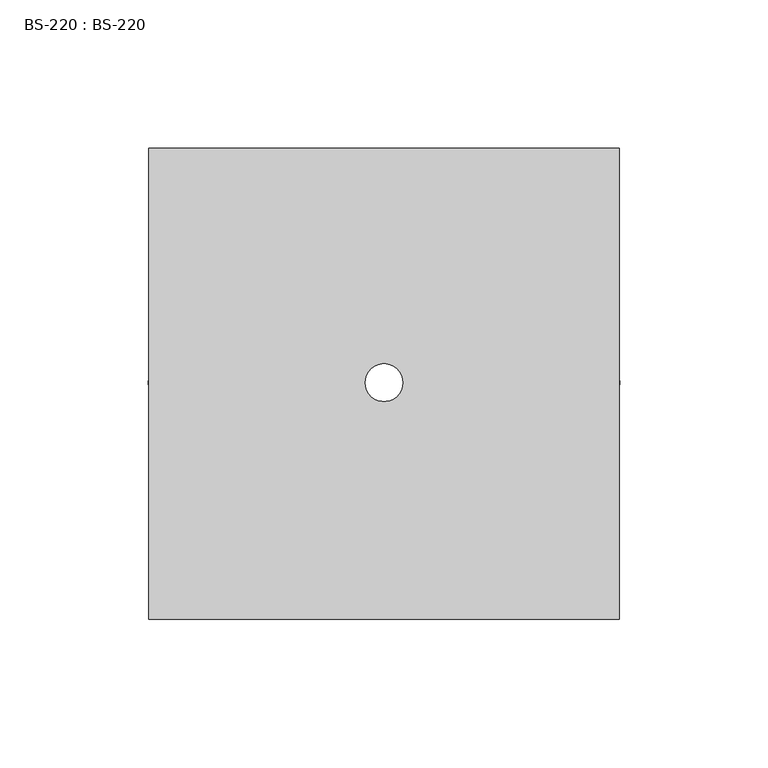
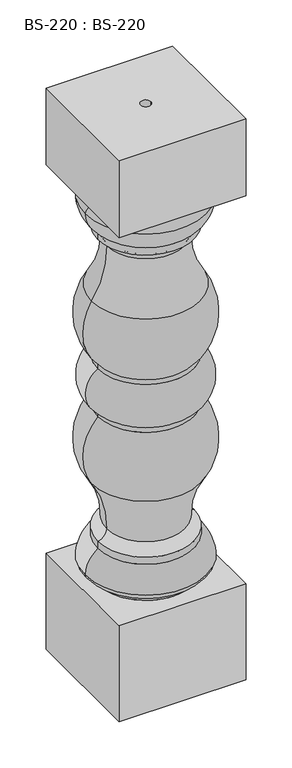
"""IFC4 building model written with IfcOpenShell, lengths in millimetres: proxy geometry, BS-220 : BS-220."""

from ifc_helpers import new_model, si_unit, point, frame, origin, origin_with_axes, place, context, project, spatial, polyline, circle_curve, ellipse_curve, trimmed, source, transform, mapped, element, save
from ifc_brep_helpers import plane_surface, cylinder_surface, revolved_surface, advanced_brep


def bs_220_bs_220_56ae21f1(model_context):
    return source(origin(), model_context, "Body", "AdvancedBrep", [
        advanced_brep(
        [(79.375, -79.7359728, 742.95), (79.375, 79.0140272, 742.95), (-79.375, 79.0140272, 742.95), (-79.375, -79.7359728, 742.95), (6.35, 0.0, 742.95), (-6.35, 0.0, 742.95), (79.375, -79.7359728, 641.35), (-79.375, -79.7359728, 641.35), (-79.375, 79.0140272, 641.35), (79.375, 79.0140272, 641.35), (60.4039987, 0.0, 641.35), (-60.4039987, 0.0, 641.35), (-60.4039987, 0.0, 174.625), (60.4039987, 0.0, 174.625), (76.3877911, 0.0, 145.1261034), (-76.3877911, 0.0, 145.1261034), (-60.4039987, 0.0, 184.15), (60.4039987, 0.0, 184.15), (-49.2914987, 0.0, 196.85), (49.2914987, 0.0, 196.85), (-68.2623971, 0.0, 263.5391391), (68.2623971, 0.0, 263.5391391), (-60.4039987, 0.0, 349.25), (60.4039987, 0.0, 349.25), (-60.4039987, 0.0, 355.6), (60.4039987, 0.0, 355.6), (-60.4039987, 0.0, 412.75), (60.4039987, 0.0, 412.75), (-60.4039987, 0.0, 419.1), (60.4039987, 0.0, 419.1), (-68.2623971, 0.0, 504.8108609), (68.2623971, 0.0, 504.8108609), (-49.2914987, 0.0, 571.5), (49.2914987, 0.0, 571.5), (-60.4039987, 0.0, 584.2), (60.4039987, 0.0, 584.2), (-60.4039987, 0.0, 593.725), (60.4039987, 0.0, 593.725), (-76.3877911, 0.0, 623.2238966), (76.3877911, 0.0, 623.2238966), (-60.4039987, 0.0, 635.0), (60.4039987, 0.0, 635.0), (-60.4039987, 0.0, 133.35), (60.4039987, 0.0, 133.35), (60.4039987, 0.0, 127.0), (-60.4039987, 0.0, 127.0), (79.375, -79.7359728, 127.0), (79.375, 79.0140272, 127.0), (-79.375, 79.0140272, 127.0), (-79.375, -79.7359728, 127.0), (79.375, -79.7359728, 0.0), (-79.375, -79.7359728, 0.0), (-79.375, 79.0140272, 0.0), (79.375, 79.0140272, 0.0), (-6.35, 0.0, 0.0), (6.35, 0.0, 0.0)],
        [
            (0, 1),
            (1, 2),
            (2, 3),
            (3, 0),
            (4, 5, circle_curve(frame((0.0, 0.0, 742.95), z_axis=(0.0, 0.0, -1.0), x_axis=(1.0, 0.0, 0.0)), 6.35)),
            (5, 4, circle_curve(frame((0.0, 0.0, 742.95), z_axis=(0.0, 0.0, -1.0), x_axis=(1.0, 0.0, 0.0)), 6.35)),
            (6, 7),
            (7, 8),
            (8, 9),
            (9, 6),
            (10, 11, circle_curve(frame((0.0, 0.0, 641.35), z_axis=(0.0, 0.0, 1.0), x_axis=(1.0, 0.0, 0.0)), 60.4039987)),
            (11, 10, circle_curve(frame((0.0, 0.0, 641.35), z_axis=(0.0, 0.0, 1.0), x_axis=(1.0, 0.0, 0.0)), 60.4039987)),
            (0, 6),
            (9, 1),
            (8, 2),
            (7, 3),
            (12, 13, circle_curve(frame((0.0, 0.0, 174.625), z_axis=(0.0, 0.0, -1.0), x_axis=(1.0, 0.0, 0.0)), 60.4039987)),
            (13, 14, circle_curve(frame((39.443099, 0.0, 144.1876605), z_axis=(0.0, 1.0, 0.0), x_axis=(1.0, 0.0, 0.0)), 36.956609)),
            (14, 15, circle_curve(frame((0.0, 0.0, 145.1261034), z_axis=(0.0, 0.0, 1.0), x_axis=(1.0, 0.0, 0.0)), 76.3877911)),
            (15, 12, circle_curve(frame((-39.443099, 0.0, 144.1876605), z_axis=(0.0, 1.0, 0.0), x_axis=(-1.0, 0.0, 0.0)), 36.956609)),
            (13, 12, circle_curve(frame((0.0, 0.0, 174.625), z_axis=(0.0, 0.0, -1.0), x_axis=(1.0, 0.0, 0.0)), 60.4039987)),
            (15, 14, circle_curve(frame((0.0, 0.0, 145.1261034), z_axis=(0.0, 0.0, 1.0), x_axis=(1.0, 0.0, 0.0)), 76.3877911)),
            (12, 16),
            (16, 17, circle_curve(frame((0.0, 0.0, 184.15), z_axis=(0.0, 0.0, -1.0), x_axis=(1.0, 0.0, 0.0)), 60.4039987)),
            (17, 13),
            (17, 16, circle_curve(frame((0.0, 0.0, 184.15), z_axis=(0.0, 0.0, -1.0), x_axis=(1.0, 0.0, 0.0)), 60.4039987)),
            (16, 18, circle_curve(frame((-62.4351968, 0.0, 197.139017), z_axis=(0.0, -1.0, 0.0), x_axis=(-1.0, 0.0, 0.0)), 13.1468753)),
            (18, 19, circle_curve(frame((0.0, 0.0, 196.85), z_axis=(0.0, 0.0, -1.0), x_axis=(1.0, 0.0, 0.0)), 49.2914987)),
            (19, 17, circle_curve(frame((62.4351968, 0.0, 197.139017), z_axis=(0.0, -1.0, 0.0), x_axis=(1.0, 0.0, 0.0)), 13.1468753)),
            (19, 18, circle_curve(frame((0.0, 0.0, 196.85), z_axis=(0.0, 0.0, -1.0), x_axis=(1.0, 0.0, 0.0)), 49.2914987)),
            (18, 20, circle_curve(frame((-166.9031665, 0.0, 199.4361652), z_axis=(0.0, -1.0, 0.0), x_axis=(-1.0, 0.0, 0.0)), 117.6400979)),
            (20, 21, circle_curve(frame((0.0, 0.0, 263.5391391), z_axis=(0.0, 0.0, -1.0), x_axis=(1.0, 0.0, 0.0)), 68.2623971)),
            (21, 19, circle_curve(frame((166.9031665, 0.0, 199.4361652), z_axis=(0.0, -1.0, 0.0), x_axis=(1.0, 0.0, 0.0)), 117.6400979)),
            (21, 20, circle_curve(frame((0.0, 0.0, 263.5391391), z_axis=(0.0, 0.0, -1.0), x_axis=(1.0, 0.0, 0.0)), 68.2623971)),
            (20, 22, circle_curve(frame((-9.9847297, 0.0, 301.4116315), z_axis=(0.0, 1.0, 0.0), x_axis=(-1.0, 0.0, 0.0)), 69.5026057)),
            (22, 23, circle_curve(frame((0.0, 0.0, 349.25), z_axis=(0.0, 0.0, -1.0), x_axis=(1.0, 0.0, 0.0)), 60.4039987)),
            (23, 21, circle_curve(frame((9.9847297, 0.0, 301.4116315), z_axis=(0.0, 1.0, 0.0), x_axis=(1.0, 0.0, 0.0)), 69.5026057)),
            (23, 22, circle_curve(frame((0.0, 0.0, 349.25), z_axis=(0.0, 0.0, -1.0), x_axis=(1.0, 0.0, 0.0)), 60.4039987)),
            (22, 24),
            (24, 25, circle_curve(frame((0.0, 0.0, 355.6), z_axis=(0.0, 0.0, -1.0), x_axis=(1.0, 0.0, 0.0)), 60.4039987)),
            (25, 23),
            (25, 24, circle_curve(frame((0.0, 0.0, 355.6), z_axis=(0.0, 0.0, -1.0), x_axis=(1.0, 0.0, 0.0)), 60.4039987)),
            (24, 26, circle_curve(frame((-42.6239987, 0.0, 384.175), z_axis=(0.0, 1.0, 0.0), x_axis=(-1.0, 0.0, 0.0)), 33.655)),
            (26, 27, circle_curve(frame((0.0, 0.0, 412.75), z_axis=(0.0, 0.0, -1.0), x_axis=(1.0, 0.0, 0.0)), 60.4039987)),
            (27, 25, circle_curve(frame((42.6239987, 0.0, 384.175), z_axis=(0.0, 1.0, 0.0), x_axis=(1.0, 0.0, 0.0)), 33.655)),
            (27, 26, circle_curve(frame((0.0, 0.0, 412.75), z_axis=(0.0, 0.0, -1.0), x_axis=(1.0, 0.0, 0.0)), 60.4039987)),
            (26, 28),
            (28, 29, circle_curve(frame((0.0, 0.0, 419.1), z_axis=(0.0, 0.0, -1.0), x_axis=(1.0, 0.0, 0.0)), 60.4039987)),
            (29, 27),
            (29, 28, circle_curve(frame((0.0, 0.0, 419.1), z_axis=(0.0, 0.0, -1.0), x_axis=(1.0, 0.0, 0.0)), 60.4039987)),
            (28, 30, circle_curve(frame((-9.9847297, 0.0, 466.9383685), z_axis=(0.0, 1.0, 0.0), x_axis=(-1.0, 0.0, 0.0)), 69.5026057)),
            (30, 31, circle_curve(frame((0.0, 0.0, 504.8108609), z_axis=(0.0, 0.0, -1.0), x_axis=(1.0, 0.0, 0.0)), 68.2623971)),
            (31, 29, circle_curve(frame((9.9847297, 0.0, 466.9383685), z_axis=(0.0, 1.0, 0.0), x_axis=(1.0, 0.0, 0.0)), 69.5026057)),
            (31, 30, circle_curve(frame((0.0, 0.0, 504.8108609), z_axis=(0.0, 0.0, -1.0), x_axis=(1.0, 0.0, 0.0)), 68.2623971)),
            (30, 32, circle_curve(frame((-166.9031665, 0.0, 568.9138348), z_axis=(0.0, -1.0, 0.0), x_axis=(-1.0, 0.0, 0.0)), 117.6400979)),
            (32, 33, circle_curve(frame((0.0, 0.0, 571.5), z_axis=(0.0, 0.0, -1.0), x_axis=(1.0, 0.0, 0.0)), 49.2914987)),
            (33, 31, circle_curve(frame((166.9031665, 0.0, 568.9138348), z_axis=(0.0, -1.0, 0.0), x_axis=(1.0, 0.0, 0.0)), 117.6400979)),
            (33, 32, circle_curve(frame((0.0, 0.0, 571.5), z_axis=(0.0, 0.0, -1.0), x_axis=(1.0, 0.0, 0.0)), 49.2914987)),
            (32, 34, circle_curve(frame((-62.4351968, 0.0, 571.210983), z_axis=(0.0, -1.0, 0.0), x_axis=(-1.0, 0.0, 0.0)), 13.1468753)),
            (34, 35, circle_curve(frame((0.0, 0.0, 584.2), z_axis=(0.0, 0.0, -1.0), x_axis=(1.0, 0.0, 0.0)), 60.4039987)),
            (35, 33, circle_curve(frame((62.4351968, 0.0, 571.210983), z_axis=(0.0, -1.0, 0.0), x_axis=(1.0, 0.0, 0.0)), 13.1468753)),
            (35, 34, circle_curve(frame((0.0, 0.0, 584.2), z_axis=(0.0, 0.0, -1.0), x_axis=(1.0, 0.0, 0.0)), 60.4039987)),
            (34, 36),
            (36, 37, circle_curve(frame((0.0, 0.0, 593.725), z_axis=(0.0, 0.0, -1.0), x_axis=(1.0, 0.0, 0.0)), 60.4039987)),
            (37, 35),
            (37, 36, circle_curve(frame((0.0, 0.0, 593.725), z_axis=(0.0, 0.0, -1.0), x_axis=(1.0, 0.0, 0.0)), 60.4039987)),
            (36, 38, circle_curve(frame((-39.443099, 0.0, 624.1623395), z_axis=(0.0, 1.0, 0.0), x_axis=(-1.0, 0.0, 0.0)), 36.956609)),
            (38, 39, circle_curve(frame((0.0, 0.0, 623.2238966), z_axis=(0.0, 0.0, -1.0), x_axis=(1.0, 0.0, 0.0)), 76.3877911)),
            (39, 37, circle_curve(frame((39.443099, 0.0, 624.1623395), z_axis=(0.0, 1.0, 0.0), x_axis=(1.0, 0.0, 0.0)), 36.956609)),
            (39, 38, circle_curve(frame((0.0, 0.0, 623.2238966), z_axis=(0.0, 0.0, -1.0), x_axis=(1.0, 0.0, 0.0)), 76.3877911)),
            (38, 40, circle_curve(frame((-60.7921681, 0.0, 618.7913535), z_axis=(0.0, 1.0, 0.0), x_axis=(-1.0, 0.0, 0.0)), 16.2132938)),
            (40, 41, circle_curve(frame((0.0, 0.0, 635.0), z_axis=(0.0, 0.0, -1.0), x_axis=(1.0, 0.0, 0.0)), 60.4039987)),
            (41, 39, circle_curve(frame((60.7921681, 0.0, 618.7913535), z_axis=(0.0, 1.0, 0.0), x_axis=(1.0, 0.0, 0.0)), 16.2132938)),
            (41, 40, circle_curve(frame((0.0, 0.0, 635.0), z_axis=(0.0, 0.0, -1.0), x_axis=(1.0, 0.0, 0.0)), 60.4039987)),
            (40, 11),
            (10, 41),
            (42, 43, circle_curve(frame((0.0, 0.0, 133.35), z_axis=(0.0, 0.0, -1.0), x_axis=(1.0, 0.0, 0.0)), 60.4039987)),
            (43, 44),
            (44, 45, circle_curve(frame((0.0, 0.0, 127.0), z_axis=(0.0, 0.0, 1.0), x_axis=(1.0, 0.0, 0.0)), 60.4039987)),
            (45, 42),
            (43, 42, circle_curve(frame((0.0, 0.0, 133.35), z_axis=(0.0, 0.0, -1.0), x_axis=(1.0, 0.0, 0.0)), 60.4039987)),
            (45, 44, circle_curve(frame((0.0, 0.0, 127.0), z_axis=(0.0, 0.0, 1.0), x_axis=(1.0, 0.0, 0.0)), 60.4039987)),
            (14, 43, circle_curve(frame((60.7921681, 0.0, 149.5586465), z_axis=(0.0, 1.0, 0.0), x_axis=(1.0, 0.0, 0.0)), 16.2132938)),
            (42, 15, circle_curve(frame((-60.7921681, 0.0, 149.5586465), z_axis=(0.0, 1.0, 0.0), x_axis=(-1.0, 0.0, 0.0)), 16.2132938)),
            (46, 47),
            (47, 48),
            (48, 49),
            (49, 46),
            (50, 51),
            (51, 52),
            (52, 53),
            (53, 50),
            (54, 55, circle_curve(origin_with_axes(), 6.35)),
            (55, 54, circle_curve(origin_with_axes(), 6.35)),
            (46, 50),
            (53, 47),
            (52, 48),
            (51, 49),
            (4, 55),
            (54, 5),
        ],
        [
            plane_surface(frame((79.375, -113.9390272, 742.95), z_axis=(0.0, 0.0, 1.0), x_axis=(0.0, 1.0, 0.0))),
            plane_surface(frame((79.375, -113.9390272, 641.35), z_axis=(0.0, 0.0, -1.0), x_axis=(0.0, -1.0, 0.0))),
            plane_surface(frame((79.375, -79.7359728, 742.95), z_axis=(1.0, 0.0, 0.0), x_axis=(0.0, 0.0, -1.0))),
            plane_surface(frame((79.375, 79.0140272, 742.95), z_axis=(0.0, 1.0, 0.0), x_axis=(0.0, 0.0, -1.0))),
            plane_surface(frame((-79.375, 79.0140272, 742.95), z_axis=(-1.0, 0.0, 0.0), x_axis=(0.0, 0.0, -1.0))),
            plane_surface(frame((-79.375, -79.7359728, 742.95), z_axis=(0.0, -1.0, 0.0), x_axis=(0.0, 0.0, -1.0))),
            revolved_surface(trimmed(ellipse_curve(frame((39.443099, 0.0, 144.1876605), z_axis=(0.0, -1.0, 0.0), x_axis=(1.0, 0.0, 0.0)), 36.956609, 36.956609), [point((76.3877911, 0.0, 145.1261034))], [point((60.4039987, 0.0, 174.625))], True, "CARTESIAN"), (0.0, 0.0, 0.0), (0.0, 0.0, 1.0)),
            cylinder_surface(origin_with_axes(), 60.4039987),
            revolved_surface(trimmed(ellipse_curve(frame((62.4351968, 0.0, 197.139017), z_axis=(0.0, 1.0, 0.0), x_axis=(1.0, 0.0, 0.0)), 13.1468753, 13.1468753), [point((60.4039987, 0.0, 184.15))], [point((49.2914987, 0.0, 196.85))], True, "CARTESIAN"), (0.0, 0.0, 0.0), (0.0, 0.0, 1.0)),
            revolved_surface(trimmed(ellipse_curve(frame((166.9031665, 0.0, 199.4361652), z_axis=(0.0, 1.0, 0.0), x_axis=(1.0, 0.0, 0.0)), 117.6400979, 117.6400979), [point((49.2914987, 0.0, 196.85))], [point((68.2623971, 0.0, 263.5391391))], True, "CARTESIAN"), (0.0, 0.0, 0.0), (0.0, 0.0, 1.0)),
            revolved_surface(trimmed(ellipse_curve(frame((9.9847297, 0.0, 301.4116315), z_axis=(0.0, -1.0, 0.0), x_axis=(1.0, 0.0, 0.0)), 69.5026057, 69.5026057), [point((68.2623971, 0.0, 263.5391391))], [point((60.4039987, 0.0, 349.25))], True, "CARTESIAN"), (0.0, 0.0, 0.0), (0.0, 0.0, 1.0)),
            revolved_surface(trimmed(ellipse_curve(frame((42.6239987, 0.0, 384.175), z_axis=(0.0, -1.0, 0.0), x_axis=(1.0, 0.0, 0.0)), 33.655, 33.655), [point((60.4039987, 0.0, 355.6))], [point((60.4039987, 0.0, 412.75))], True, "CARTESIAN"), (0.0, 0.0, 0.0), (0.0, 0.0, 1.0)),
            revolved_surface(trimmed(ellipse_curve(frame((9.9847297, 0.0, 466.9383685), z_axis=(0.0, -1.0, 0.0), x_axis=(1.0, 0.0, 0.0)), 69.5026057, 69.5026057), [point((60.4039987, 0.0, 419.1))], [point((68.2623971, 0.0, 504.8108609))], True, "CARTESIAN"), (0.0, 0.0, 0.0), (0.0, 0.0, 1.0)),
            revolved_surface(trimmed(ellipse_curve(frame((166.9031665, 0.0, 568.9138348), z_axis=(0.0, 1.0, 0.0), x_axis=(1.0, 0.0, 0.0)), 117.6400979, 117.6400979), [point((68.2623971, 0.0, 504.8108609))], [point((49.2914987, 0.0, 571.5))], True, "CARTESIAN"), (0.0, 0.0, 0.0), (0.0, 0.0, 1.0)),
            revolved_surface(trimmed(ellipse_curve(frame((62.4351968, 0.0, 571.210983), z_axis=(0.0, 1.0, 0.0), x_axis=(1.0, 0.0, 0.0)), 13.1468753, 13.1468753), [point((49.2914987, 0.0, 571.5))], [point((60.4039987, 0.0, 584.2))], True, "CARTESIAN"), (0.0, 0.0, 0.0), (0.0, 0.0, 1.0)),
            revolved_surface(trimmed(ellipse_curve(frame((39.443099, 0.0, 624.1623395), z_axis=(0.0, -1.0, 0.0), x_axis=(1.0, 0.0, 0.0)), 36.956609, 36.956609), [point((60.4039987, 0.0, 593.725))], [point((76.3877911, 0.0, 623.2238966))], True, "CARTESIAN"), (0.0, 0.0, 0.0), (0.0, 0.0, 1.0)),
            revolved_surface(trimmed(ellipse_curve(frame((60.7921681, 0.0, 618.7913535), z_axis=(0.0, -1.0, 0.0), x_axis=(1.0, 0.0, 0.0)), 16.2132938, 16.2132938), [point((76.3877911, 0.0, 623.2238966))], [point((60.4039987, 0.0, 635.0))], True, "CARTESIAN"), (0.0, 0.0, 0.0), (0.0, 0.0, 1.0)),
            revolved_surface(trimmed(ellipse_curve(frame((60.7921681, 0.0, 149.5586465), z_axis=(0.0, -1.0, 0.0), x_axis=(1.0, 0.0, 0.0)), 16.2132938, 16.2132938), [point((60.4039987, 0.0, 133.35))], [point((76.3877911, 0.0, 145.1261034))], True, "CARTESIAN"), (0.0, 0.0, 0.0), (0.0, 0.0, 1.0)),
            plane_surface(frame((79.375, -114.3, 127.0), z_axis=(0.0, 0.0, 1.0), x_axis=(0.0, 1.0, 0.0))),
            plane_surface(frame((79.375, -114.3, 0.0), z_axis=(0.0, 0.0, -1.0), x_axis=(0.0, -1.0, 0.0))),
            plane_surface(frame((79.375, -79.7359728, 127.0), z_axis=(1.0, 0.0, 0.0), x_axis=(0.0, 0.0, -1.0))),
            plane_surface(frame((79.375, 79.0140272, 127.0), z_axis=(0.0, 1.0, 0.0), x_axis=(0.0, 0.0, -1.0))),
            plane_surface(frame((-79.375, 79.0140272, 127.0), z_axis=(-1.0, 0.0, 0.0), x_axis=(0.0, 0.0, -1.0))),
            plane_surface(frame((-79.375, -79.7359728, 127.0), z_axis=(0.0, -1.0, 0.0), x_axis=(0.0, 0.0, -1.0))),
            revolved_surface(polyline([(6.35, 0.0, 742.95), (6.35, 0.0, 0.0)]), (0.0, 0.0, 0.0), (0.0, 0.0, 1.0)),
        ],
        [
            (0, [[1, 2, 3, 4], [5, 6]]),
            (1, [[7, 8, 9, 10], [11, 12]]),
            (2, [[-1, 13, -10, 14]]),
            (3, [[-2, -14, -9, 15]]),
            (4, [[-3, -15, -8, 16]]),
            (5, [[-4, -16, -7, -13]]),
            (6, [[17, 18, 19, 20]]),
            (6, [[-18, 21, -20, 22]]),
            (7, [[-17, 23, 24, 25]]),
            (7, [[-21, -25, 26, -23]]),
            (8, [[-24, 27, 28, 29]]),
            (8, [[-26, -29, 30, -27]]),
            (9, [[-28, 31, 32, 33]]),
            (9, [[-30, -33, 34, -31]]),
            (10, [[-32, 35, 36, 37]]),
            (10, [[-34, -37, 38, -35]]),
            (7, [[-36, 39, 40, 41]]),
            (7, [[-38, -41, 42, -39]]),
            (11, [[-40, 43, 44, 45]]),
            (11, [[-42, -45, 46, -43]]),
            (7, [[-44, 47, 48, 49]]),
            (7, [[-46, -49, 50, -47]]),
            (12, [[-48, 51, 52, 53]]),
            (12, [[-50, -53, 54, -51]]),
            (13, [[-52, 55, 56, 57]]),
            (13, [[-54, -57, 58, -55]]),
            (14, [[-56, 59, 60, 61]]),
            (14, [[-58, -61, 62, -59]]),
            (7, [[-60, 63, 64, 65]]),
            (7, [[-62, -65, 66, -63]]),
            (15, [[-64, 67, 68, 69]]),
            (15, [[-66, -69, 70, -67]]),
            (16, [[-68, 71, 72, 73]]),
            (16, [[-70, -73, 74, -71]]),
            (7, [[-72, 75, -11, 76]]),
            (7, [[-74, -76, -12, -75]]),
            (7, [[77, 78, 79, 80]]),
            (7, [[-78, 81, -80, 82]]),
            (17, [[-19, 83, -77, 84]]),
            (17, [[-22, -84, -81, -83]]),
            (18, [[85, 86, 87, 88], [-79, -82]]),
            (19, [[89, 90, 91, 92], [93, 94]]),
            (20, [[-85, 95, -92, 96]]),
            (21, [[-86, -96, -91, 97]]),
            (22, [[-87, -97, -90, 98]]),
            (23, [[-88, -98, -89, -95]]),
            (24, [[99, -93, 100, -5]]),
            (24, [[-99, -6, -100, -94]]),
        ],
    ),
    ])


if __name__ == "__main__":
    model = new_model("IFC4")
    model_context = context("Model", 3, world=origin())
    ifc_project = project(units=[si_unit("LENGTHUNIT", "METRE", prefix="MILLI")], contexts=[model_context])
    site = spatial("IfcSite", under=ifc_project)
    building = spatial("IfcBuilding", under=site)
    placement = place(None, origin())
    bs_220_bs_220_shape = bs_220_bs_220_56ae21f1(model_context)
    element("IfcBuildingElementProxy", 1, Name="BS-220 : BS-220", ObjectType="BS-220 : BS-220", at=placement, inside=building, context=model_context, shape_type="MappedRepresentation", body=[
        mapped(bs_220_bs_220_shape, transform((0.0, 0.0, 0.0), x_axis=(1.0, 0.0, 0.0), y_axis=(0.0, 1.0, 0.0), z_axis=(0.0, 0.0, 1.0))),
    ])
    save(model, "model.ifc")
